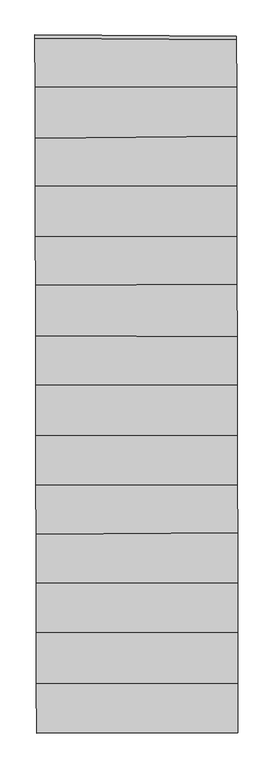
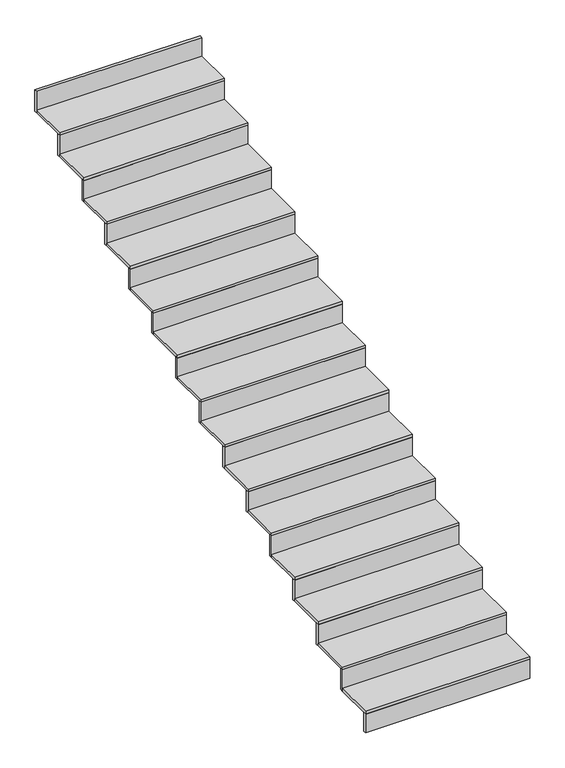
"""IFC4 building model written with IfcOpenShell, lengths in millimetres: stair flight geometry."""

from ifc_helpers import new_model, si_unit, frame, origin, place, context, project, spatial, polyline, outline, extrude, source, transform, mapped, element, save


def stair_flight_c816fecc(model_context):
    return source(origin(), model_context, "Body", "SweptSolid", [
        extrude(outline(polyline([(113745.0279835, 62674.5363223), (113745.0721866, 62654.5363471), (112567.4701422, 62653.7631028), (112567.4222455, 62673.7630757), (113745.0279835, 62674.5363223)])), frame((0.0, 0.0, -2336.5), z_axis=(0.0, 0.0, 1.0), x_axis=(1.0, 0.0, 0.0)), (0.0, 0.0, 1.0), 140.8530746),
        extrude(outline(polyline([(112566.7826311, 62940.8435779), (113744.4267837, 62946.5532552), (113745.0721866, 62654.5363471), (112567.4701422, 62653.7631028), (112566.7826311, 62940.8435779)])), frame((0.0, 0.0, -2195.6469254), z_axis=(0.0, 0.0, 1.0), x_axis=(1.0, 0.0, 0.0)), (0.0, 0.0, 1.0), 20.0),
        extrude(outline(polyline([(113744.3825805, 62966.553276), (113744.4267837, 62946.5532552), (112566.7826311, 62940.8435779), (112566.7347343, 62960.8435808), (113744.3825805, 62966.553276)])), frame((0.0, 0.0, -2195.6469254), z_axis=(0.0, 0.0, 1.0), x_axis=(1.0, 0.0, 0.0)), (0.0, 0.0, 1.0), 160.8530746),
        extrude(outline(polyline([(112566.0649488, 63240.5224148), (113743.7725783, 63242.5528928), (113744.4267837, 62946.5532552), (112566.7826311, 62940.8435779), (112566.0649488, 63240.5224148)])), frame((0.0, 0.0, -2034.7938508), z_axis=(0.0, 0.0, 1.0), x_axis=(1.0, 0.0, 0.0)), (0.0, 0.0, 1.0), 20.0),
        extrude(outline(polyline([(113743.7283753, 63262.5528463), (113743.7725783, 63242.5528928), (112566.0649488, 63240.5224148), (112566.0170522, 63260.522362), (113743.7283753, 63262.5528463)])), frame((0.0, 0.0, -2034.7938508), z_axis=(0.0, 0.0, 1.0), x_axis=(1.0, 0.0, 0.0)), (0.0, 0.0, 1.0), 160.8530746),
        extrude(outline(polyline([(112565.3704477, 63530.5216432), (113743.1316334, 63532.5527528), (113743.7725783, 63242.5528928), (112566.0649488, 63240.5224148), (112565.3704477, 63530.5216432)])), frame((0.0, 0.0, -1873.9407762), z_axis=(0.0, 0.0, 1.0), x_axis=(1.0, 0.0, 0.0)), (0.0, 0.0, 1.0), 20.0),
        extrude(outline(polyline([(113743.0874303, 63552.5527064), (113743.1316334, 63532.5527528), (112565.3704477, 63530.5216432), (112565.3225511, 63550.5215904), (113743.0874303, 63552.5527064)])), frame((0.0, 0.0, -1873.9407762), z_axis=(0.0, 0.0, 1.0), x_axis=(1.0, 0.0, 0.0)), (0.0, 0.0, 1.0), 160.8530746),
        extrude(outline(polyline([(112564.6853923, 63816.5766905), (113742.4816559, 63826.6394218), (113743.1316334, 63532.5527528), (112565.3704477, 63530.5216432), (112564.6853923, 63816.5766905)])), frame((0.0, 0.0, -1713.0877016), z_axis=(0.0, 0.0, 1.0), x_axis=(1.0, 0.0, 0.0)), (0.0, 0.0, 1.0), 20.0),
        extrude(outline(polyline([(113742.4374521, 63846.6397741), (113742.4816559, 63826.6394218), (112564.6853923, 63816.5766905), (112564.6374948, 63836.5770112), (113742.4374521, 63846.6397741)])), frame((0.0, 0.0, -1713.0877016), z_axis=(0.0, 0.0, 1.0), x_axis=(1.0, 0.0, 0.0)), (0.0, 0.0, 1.0), 160.8530746),
        extrude(outline(polyline([(112563.9964075, 64104.2725027), (113741.8635519, 64106.3047732), (113742.4816559, 63826.6394218), (112564.6853923, 63816.5766905), (112563.9964075, 64104.2725027)])), frame((0.0, 0.0, -1552.234627), z_axis=(0.0, 0.0, 1.0), x_axis=(1.0, 0.0, 0.0)), (0.0, 0.0, 1.0), 20.0),
        extrude(outline(polyline([(113741.8193489, 64126.3047267), (113741.8635519, 64106.3047732), (112563.9964075, 64104.2725027), (112563.9485108, 64124.2724499), (113741.8193489, 64126.3047267)])), frame((0.0, 0.0, -1552.234627), z_axis=(0.0, 0.0, 1.0), x_axis=(1.0, 0.0, 0.0)), (0.0, 0.0, 1.0), 160.8530746),
        extrude(outline(polyline([(112563.3018971, 64394.2755711), (113741.2225986, 64396.308438), (113741.8635519, 64106.3047732), (112563.9964075, 64104.2725027), (112563.3018971, 64394.2755711)])), frame((0.0, 0.0, -1391.3815524), z_axis=(0.0, 0.0, 1.0), x_axis=(1.0, 0.0, 0.0)), (0.0, 0.0, 1.0), 20.0),
        extrude(outline(polyline([(113741.1783955, 64416.3083915), (113741.2225986, 64396.308438), (112563.3018971, 64394.2755711), (112563.2540005, 64414.2755182), (113741.1783955, 64416.3083915)])), frame((0.0, 0.0, -1391.3815524), z_axis=(0.0, 0.0, 1.0), x_axis=(1.0, 0.0, 0.0)), (0.0, 0.0, 1.0), 160.8530746),
        extrude(outline(polyline([(112562.5954035, 64689.2824391), (113740.5705817, 64691.3178746), (113741.2225986, 64396.308438), (112563.3018971, 64394.2755711), (112562.5954035, 64689.2824391)])), frame((0.0, 0.0, -1230.5284778), z_axis=(0.0, 0.0, 1.0), x_axis=(1.0, 0.0, 0.0)), (0.0, 0.0, 1.0), 20.0),
        extrude(outline(polyline([(113740.5263787, 64711.3178281), (113740.5705817, 64691.3178746), (112562.5954035, 64689.2824391), (112562.5475069, 64709.2823862), (113740.5263787, 64711.3178281)])), frame((0.0, 0.0, -1230.5284778), z_axis=(0.0, 0.0, 1.0), x_axis=(1.0, 0.0, 0.0)), (0.0, 0.0, 1.0), 160.8530746),
        extrude(outline(polyline([(112561.903201, 64978.3218767), (113739.9514392, 64971.4530642), (113740.5705817, 64691.3178746), (112562.5954035, 64689.2824391), (112561.903201, 64978.3218767)])), frame((0.0, 0.0, -1069.6754032), z_axis=(0.0, 0.0, 1.0), x_axis=(1.0, 0.0, 0.0)), (0.0, 0.0, 1.0), 20.0),
        extrude(outline(polyline([(113739.9072348, 64991.4536619), (113739.9514392, 64971.4530642), (112561.903201, 64978.3218767), (112561.8553027, 64998.322496), (113739.9072348, 64991.4536619)])), frame((0.0, 0.0, -1069.6754032), z_axis=(0.0, 0.0, 1.0), x_axis=(1.0, 0.0, 0.0)), (0.0, 0.0, 1.0), 160.8530746),
        extrude(outline(polyline([(112561.1970996, 65273.16497), (113739.2719727, 65278.8822691), (113739.9514392, 64971.4530642), (112561.903201, 64978.3218767), (112561.1970996, 65273.16497)])), frame((0.0, 0.0, -908.8223286), z_axis=(0.0, 0.0, 1.0), x_axis=(1.0, 0.0, 0.0)), (0.0, 0.0, 1.0), 20.0),
        extrude(outline(polyline([(113739.2277695, 65298.8822901), (113739.2719727, 65278.8822691), (112561.1970996, 65273.16497), (112561.1492028, 65293.1649731), (113739.2277695, 65298.8822901)])), frame((0.0, 0.0, -908.8223286), z_axis=(0.0, 0.0, 1.0), x_axis=(1.0, 0.0, 0.0)), (0.0, 0.0, 1.0), 160.8530746),
        extrude(outline(polyline([(112560.5145673, 65558.16642), (113738.6502131, 65560.201622), (113739.2719727, 65278.8822691), (112561.1970996, 65273.16497), (112560.5145673, 65558.16642)])), frame((0.0, 0.0, -747.9692541), z_axis=(0.0, 0.0, 1.0), x_axis=(1.0, 0.0, 0.0)), (0.0, 0.0, 1.0), 20.0),
        extrude(outline(polyline([(113738.60601, 65580.2015755), (113738.6502131, 65560.201622), (112560.5145673, 65558.16642), (112560.4666707, 65578.1663671), (113738.60601, 65580.2015755)])), frame((0.0, 0.0, -747.9692541), z_axis=(0.0, 0.0, 1.0), x_axis=(1.0, 0.0, 0.0)), (0.0, 0.0, 1.0), 160.8530746),
        extrude(outline(polyline([(112559.8132605, 65851.0074569), (113738.0029874, 65853.0432447), (113738.6502131, 65560.201622), (112560.5145673, 65558.16642), (112559.8132605, 65851.0074569)])), frame((0.0, 0.0, -587.1161795), z_axis=(0.0, 0.0, 1.0), x_axis=(1.0, 0.0, 0.0)), (0.0, 0.0, 1.0), 20.0),
        extrude(outline(polyline([(113737.9587844, 65873.0431982), (113738.0029874, 65853.0432447), (112559.8132605, 65851.0074569), (112559.7653639, 65871.007404), (113737.9587844, 65873.0431982)])), frame((0.0, 0.0, -587.1161795), z_axis=(0.0, 0.0, 1.0), x_axis=(1.0, 0.0, 0.0)), (0.0, 0.0, 1.0), 160.8530746),
        extrude(outline(polyline([(112559.1386311, 66132.708975), (113737.3626184, 66142.7825317), (113738.0029874, 65853.0432447), (112559.8132605, 65851.0074569), (112559.1386311, 66132.708975)])), frame((0.0, 0.0, -426.2631049), z_axis=(0.0, 0.0, 1.0), x_axis=(1.0, 0.0, 0.0)), (0.0, 0.0, 1.0), 20.0),
        extrude(outline(polyline([(113737.3184145, 66162.7828847), (113737.3626184, 66142.7825317), (112559.1386311, 66132.708975), (112559.0907336, 66152.7092965), (113737.3184145, 66162.7828847)])), frame((0.0, 0.0, -426.2631049), z_axis=(0.0, 0.0, 1.0), x_axis=(1.0, 0.0, 0.0)), (0.0, 0.0, 1.0), 160.8530746),
        extrude(outline(polyline([(112558.4234135, 66431.3586521), (113736.7203182, 66433.3955875), (113737.3626184, 66142.7825317), (112559.1386311, 66132.708975), (112558.4234135, 66431.3586521)])), frame((0.0, 0.0, -265.4100303), z_axis=(0.0, 0.0, 1.0), x_axis=(1.0, 0.0, 0.0)), (0.0, 0.0, 1.0), 20.0),
        extrude(outline(polyline([(113736.6761152, 66453.395541), (113736.7203182, 66433.3955875), (112558.4234135, 66431.3586521), (112558.3755169, 66451.3585992), (113736.6761152, 66453.395541)])), frame((0.0, 0.0, -265.4100303), z_axis=(0.0, 0.0, 1.0), x_axis=(1.0, 0.0, 0.0)), (0.0, 0.0, 1.0), 160.8530746),
        extrude(outline(polyline([(113736.0673585, 66728.8316098), (113736.1115631, 66708.8309134), (112557.7407878, 66716.3991493), (112557.6928893, 66736.3998694), (113736.0673585, 66728.8316098)])), frame((0.0, 0.0, -104.5569557), z_axis=(0.0, 0.0, 1.0), x_axis=(1.0, 0.0, 0.0)), (0.0, 0.0, 1.0), 160.8530746),
        extrude(outline(polyline([(112557.7407878, 66716.3991493), (113736.1115631, 66708.8309134), (113736.7203182, 66433.3955875), (112558.4234135, 66431.3586521), (112557.7407878, 66716.3991493)])), frame((0.0, 0.0, -104.5569557), z_axis=(0.0, 0.0, 1.0), x_axis=(1.0, 0.0, 0.0)), (0.0, 0.0, 1.0), 20.0),
    ])


if __name__ == "__main__":
    model = new_model("IFC4")
    model_context = context("Model", 3, world=origin())
    ifc_project = project(units=[si_unit("LENGTHUNIT", "METRE", prefix="MILLI")], contexts=[model_context])
    site = spatial("IfcSite", under=ifc_project)
    building = spatial("IfcBuilding", under=site)
    placement = place(None, origin())
    stair_flight_shape = stair_flight_c816fecc(model_context)
    element("IfcStairFlight", 1, at=placement, inside=building, context=model_context, shape_type="MappedRepresentation", body=[
        mapped(stair_flight_shape, transform((0.0, 0.0, 0.0), x_axis=(1.0, 0.0, 0.0), y_axis=(0.0, 1.0, 0.0), z_axis=(0.0, 0.0, 1.0))),
    ])
    save(model, "model.ifc")
